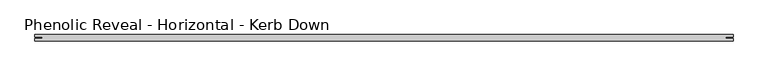
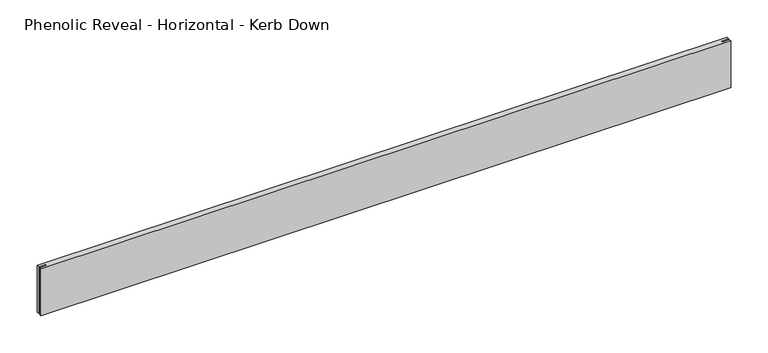
"""IFC4 building model written with IfcOpenShell, lengths in millimetres: proxy geometry, Phenolic Reveal - Horizontal - Kerb Down."""

from ifc_helpers import new_model, si_unit, origin, place, context, project, spatial, faceted_brep, source, transform, mapped, element, save


def phenolic_reveal_horizontal_kerb_down_1855d518(model_context):
    return source(origin(), model_context, "Body", "Brep", [
        faceted_brep([(1063.625, 9.525, 0.0), (1063.625, 9.525, 76.2), (1063.625, 6.0765851, 76.2), (1063.625, 6.0765851, 0.0), (1063.625, 0.0, 76.2), (1063.625, 0.0, 0.0), (1063.625, 3.3757545, 0.0), (1063.625, 3.3757545, 76.2), (0.0, 9.525, 0.0), (0.0, 6.0765851, 0.0), (0.0, 6.0765851, 76.2), (0.0, 9.525, 76.2), (0.0, 3.3757545, 76.2), (0.0, 3.3757545, 0.0), (0.0, 0.0, 0.0), (0.0, 0.0, 76.2), (11.1125, 6.0765851, 76.2), (11.1125, 3.3757545, 76.2), (1052.5125, 3.3757545, 76.2), (1052.5125, 6.0765851, 76.2), (11.1125, 3.3757545, 10.8408985), (1052.5125, 3.3757545, 10.8408985), (11.1125, 6.0765851, 10.8408985), (1052.5125, 6.0765851, 10.8408985)], [[[0, 1, 2, 3]], [[4, 5, 6, 7]], [[8, 9, 10, 11]], [[12, 13, 14, 15]], [[1, 0, 8, 11]], [[1, 11, 10, 16, 17, 12, 15, 4, 7, 18, 19, 2]], [[5, 4, 15, 14]], [[13, 6, 5, 14]], [[12, 17, 20, 21, 18, 7, 6, 13]], [[21, 20, 22, 23]], [[2, 19, 23, 22, 16, 10, 9, 3]], [[0, 3, 9, 8]], [[18, 21, 23, 19]], [[20, 17, 16, 22]]]),
    ])


if __name__ == "__main__":
    model = new_model("IFC4")
    model_context = context("Model", 3, world=origin())
    ifc_project = project(units=[si_unit("LENGTHUNIT", "METRE", prefix="MILLI")], contexts=[model_context])
    site = spatial("IfcSite", under=ifc_project)
    building = spatial("IfcBuilding", under=site)
    placement = place(None, origin())
    phenolic_reveal_horizontal_kerb_down_shape = phenolic_reveal_horizontal_kerb_down_1855d518(model_context)
    element("IfcBuildingElementProxy", 1, Name="Phenolic Reveal - Horizontal - Kerb Down", ObjectType="Phenolic Reveal - Horizontal - Kerb Down", at=placement, inside=building, context=model_context, shape_type="MappedRepresentation", body=[
        mapped(phenolic_reveal_horizontal_kerb_down_shape, transform((0.0, 0.0, 0.0), x_axis=(1.0, 0.0, 0.0), y_axis=(0.0, 1.0, 0.0), z_axis=(0.0, 0.0, 1.0))),
    ])
    save(model, "model.ifc")
